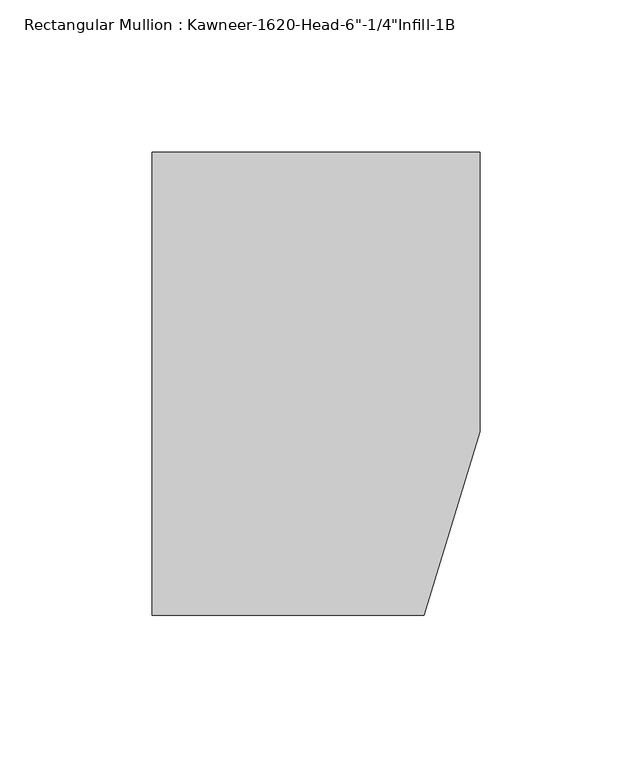
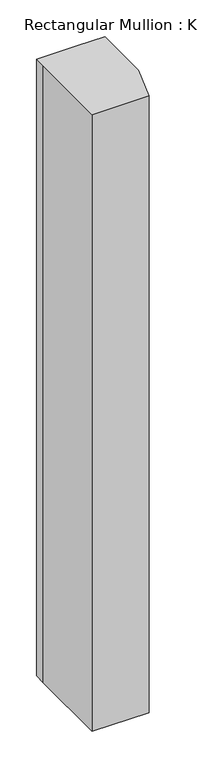
"""IFC4 building model written with IfcOpenShell, lengths in millimetres: member geometry."""

from ifc_helpers import new_model, si_unit, frame, origin, place, context, project, spatial, polyline, outline, extrude, source, transform, mapped, element, save


def member_79b7eb4a(model_context):
    return source(origin(), model_context, "Body", "SweptSolid", [
        extrude(outline(polyline([(-107.95, 10.3845466), (-107.95, 28.575), (-44.1519366, 28.575), (0.0, 28.575), (0.0, -63.5), (-18.3538271, -123.825), (-107.95, -123.825), (-107.95, 10.3845466)])), frame((0.0, 0.0, -1028.7), z_axis=(0.0, 0.0, 1.0), x_axis=(1.0, 0.0, 0.0)), (0.0, 0.0, 1.0), 1028.7),
    ])


if __name__ == "__main__":
    model = new_model("IFC4")
    model_context = context("Model", 3, world=origin())
    ifc_project = project(units=[si_unit("LENGTHUNIT", "METRE", prefix="MILLI")], contexts=[model_context])
    site = spatial("IfcSite", under=ifc_project)
    building = spatial("IfcBuilding", under=site)
    placement = place(None, origin())
    member_shape = member_79b7eb4a(model_context)
    element("IfcMember", 1, ObjectType="Rectangular Mullion : Kawneer-1620-Head-6\"-1/4\"Infill-1B", at=placement, inside=building, context=model_context, shape_type="MappedRepresentation", body=[
        mapped(member_shape, transform((0.0, 0.0, 0.0), x_axis=(1.0, 0.0, 0.0), y_axis=(0.0, 1.0, 0.0), z_axis=(0.0, 0.0, 1.0))),
    ])
    save(model, "model.ifc")
